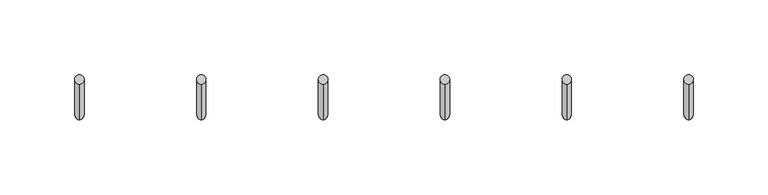
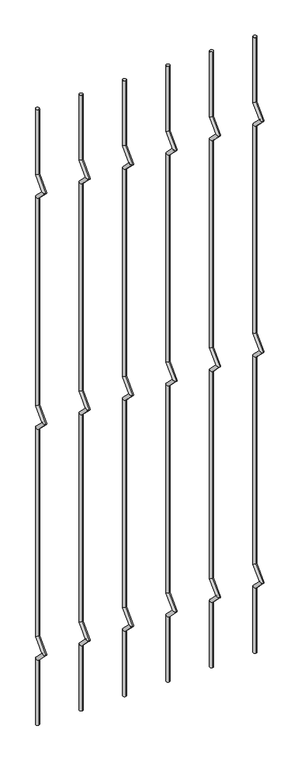
"""IFC4 building model written with IfcOpenShell, lengths in millimetres: railing geometry."""

from ifc_helpers import new_model, si_unit, frame, origin, place, context, project, spatial, circle_curve, ellipse_curve, source, transform, mapped, element, save
from ifc_brep_helpers import plane_surface, cylinder_surface, advanced_brep


def railing_f5b21eb6(model_context):
    return source(origin(), model_context, "Body", "AdvancedBrep", [
        advanced_brep(
        [(-18957.3941573, 14808.5554142, 25.4), (-18957.3941573, 14802.2054142, 25.4), (-18957.3941573, 14802.2054142, 154.0342316), (-18957.3941573, 14808.5554142, 156.6644878), (-18957.3941573, 14778.4396458, 177.8), (-18957.3941573, 14787.419902, 177.8), (-18957.3941573, 14802.2054142, 201.5657684), (-18957.3941573, 14808.5554142, 198.9355122), (-18957.3941573, 14802.2054142, 611.2342316), (-18957.3941573, 14808.5554142, 613.8644878), (-18957.3941573, 14778.4396458, 635.0), (-18957.3941573, 14787.419902, 635.0), (-18957.3941573, 14802.2054142, 658.7657684), (-18957.3941573, 14808.5554142, 656.1355122), (-18957.3941573, 14802.2054142, 1068.4342316), (-18957.3941573, 14808.5554142, 1071.0644878), (-18957.3941573, 14778.4396458, 1092.2), (-18957.3941573, 14787.419902, 1092.2), (-18957.3941573, 14802.2054142, 1115.9657684), (-18957.3941573, 14808.5554142, 1113.3355122), (-18957.3941573, 14808.5554142, 1244.6), (-18957.3941573, 14802.2054142, 1244.6)],
        [
            (0, 1, circle_curve(frame((-18957.3941573, 14805.3804142, 25.4), z_axis=(0.0, 0.0, -1.0), x_axis=(0.0, -1.0, 0.0)), 3.175)),
            (1, 0, circle_curve(frame((-18957.3941573, 14805.3804142, 25.4), z_axis=(0.0, 0.0, -1.0), x_axis=(0.0, -1.0, 0.0)), 3.175)),
            (1, 2),
            (2, 3, ellipse_curve(frame((-18957.3941573, 14805.3804142, 155.3493597), z_axis=(0.0, 0.3826834323650955, -0.9238795325112844), x_axis=(0.0, -0.9238795325112845, -0.38268343236509544)), 3.4365952, 3.175)),
            (3, 0),
            (3, 2, ellipse_curve(frame((-18957.3941573, 14805.3804142, 155.3493597), z_axis=(0.0, 0.3826834323650955, -0.9238795325112844), x_axis=(0.0, -0.9238795325112845, -0.38268343236509544)), 3.4365952, 3.175)),
            (2, 4),
            (4, 5, ellipse_curve(frame((-18957.3941573, 14782.9297739, 177.8), z_axis=(0.0, 0.0, -1.0), x_axis=(0.0, 1.0, 0.0)), 4.4901281, 3.175)),
            (5, 3),
            (5, 4, ellipse_curve(frame((-18957.3941573, 14782.9297739, 177.8), z_axis=(0.0, 0.0, -1.0), x_axis=(0.0, 1.0, 0.0)), 4.4901281, 3.175)),
            (4, 6),
            (6, 7, ellipse_curve(frame((-18957.3941573, 14805.3804142, 200.2506403), z_axis=(0.0, -0.3826834323650839, -0.9238795325112892), x_axis=(0.0, -0.9238795325112893, 0.38268343236508373)), 3.4365952, 3.175)),
            (7, 5),
            (7, 6, ellipse_curve(frame((-18957.3941573, 14805.3804142, 200.2506403), z_axis=(0.0, -0.3826834323650839, -0.9238795325112892), x_axis=(0.0, -0.9238795325112893, 0.38268343236508373)), 3.4365952, 3.175)),
            (6, 8),
            (8, 9, ellipse_curve(frame((-18957.3941573, 14805.3804142, 612.5493597), z_axis=(0.0, 0.3826834323651024, -0.9238795325112816), x_axis=(0.0, -0.9238795325112816, -0.382683432365102)), 3.4365952, 3.175)),
            (9, 7),
            (9, 8, ellipse_curve(frame((-18957.3941573, 14805.3804142, 612.5493597), z_axis=(0.0, 0.3826834323651024, -0.9238795325112816), x_axis=(0.0, -0.9238795325112816, -0.382683432365102)), 3.4365952, 3.175)),
            (8, 10),
            (10, 11, ellipse_curve(frame((-18957.3941573, 14782.9297739, 635.0), z_axis=(0.0, 0.0, -1.0), x_axis=(0.0, 1.0, 0.0)), 4.4901281, 3.175)),
            (11, 9),
            (11, 10, ellipse_curve(frame((-18957.3941573, 14782.9297739, 635.0), z_axis=(0.0, 0.0, -1.0), x_axis=(0.0, 1.0, 0.0)), 4.4901281, 3.175)),
            (10, 12),
            (12, 13, ellipse_curve(frame((-18957.3941573, 14805.3804142, 657.4506403), z_axis=(0.0, -0.3826834323650771, -0.923879532511292), x_axis=(0.0, -0.9238795325112918, 0.3826834323650773)), 3.4365952, 3.175)),
            (13, 11),
            (13, 12, ellipse_curve(frame((-18957.3941573, 14805.3804142, 657.4506403), z_axis=(0.0, -0.3826834323650771, -0.923879532511292), x_axis=(0.0, -0.9238795325112918, 0.3826834323650773)), 3.4365952, 3.175)),
            (12, 14),
            (14, 15, ellipse_curve(frame((-18957.3941573, 14805.3804142, 1069.7493597), z_axis=(0.0, 0.3826834323650978, -0.9238795325112834), x_axis=(0.0, -0.9238795325112834, -0.382683432365098)), 3.4365952, 3.175)),
            (15, 13),
            (15, 14, ellipse_curve(frame((-18957.3941573, 14805.3804142, 1069.7493597), z_axis=(0.0, 0.3826834323650978, -0.9238795325112834), x_axis=(0.0, -0.9238795325112834, -0.382683432365098)), 3.4365952, 3.175)),
            (14, 16),
            (16, 17, ellipse_curve(frame((-18957.3941573, 14782.9297739, 1092.2), z_axis=(0.0, 0.0, -1.0), x_axis=(0.0, 1.0, 0.0)), 4.4901281, 3.175)),
            (17, 15),
            (17, 16, ellipse_curve(frame((-18957.3941573, 14782.9297739, 1092.2), z_axis=(0.0, 0.0, -1.0), x_axis=(0.0, 1.0, 0.0)), 4.4901281, 3.175)),
            (16, 18),
            (18, 19, ellipse_curve(frame((-18957.3941573, 14805.3804142, 1114.6506403), z_axis=(0.0, -0.38268343236508223, -0.9238795325112898), x_axis=(0.0, -0.92387953251129, 0.38268343236508207)), 3.4365952, 3.175)),
            (19, 17),
            (19, 18, ellipse_curve(frame((-18957.3941573, 14805.3804142, 1114.6506403), z_axis=(0.0, -0.38268343236508223, -0.9238795325112898), x_axis=(0.0, -0.92387953251129, 0.38268343236508207)), 3.4365952, 3.175)),
            (20, 21, circle_curve(frame((-18957.3941573, 14805.3804142, 1244.6), z_axis=(0.0, 0.0, 1.0), x_axis=(0.0, -1.0, 0.0)), 3.175)),
            (21, 20, circle_curve(frame((-18957.3941573, 14805.3804142, 1244.6), z_axis=(0.0, 0.0, 1.0), x_axis=(0.0, -1.0, 0.0)), 3.175)),
            (18, 21),
            (20, 19),
        ],
        [
            plane_surface(frame((-18957.3941573, 14805.3804142, 25.4), z_axis=(0.0, 0.0, -1.0), x_axis=(-1.0, 0.0, 0.0))),
            cylinder_surface(frame((-18957.3941573, 14805.3804142, 25.4), z_axis=(0.0, 0.0, -1.0), x_axis=(0.0, -1.0, 0.0)), 3.175),
            cylinder_surface(frame((-18957.3941573, 14805.3804142, 155.3493597), z_axis=(0.0, 0.7071067811865563, -0.7071067811865388), x_axis=(0.0, -0.7071067811865388, -0.7071067811865563)), 3.175),
            cylinder_surface(frame((-18957.3941573, 14782.9297739, 177.8), z_axis=(0.0, -0.7071067811865385, -0.7071067811865568), x_axis=(0.0, -0.7071067811865568, 0.7071067811865385)), 3.175),
            cylinder_surface(frame((-18957.3941573, 14805.3804142, 200.2506403), z_axis=(0.0, 0.0, -1.0), x_axis=(0.0, -1.0, 0.0)), 3.175),
            cylinder_surface(frame((-18957.3941573, 14805.3804142, 612.5493597), z_axis=(0.0, 0.7071067811865669, -0.707106781186528), x_axis=(0.0, -0.707106781186528, -0.7071067811865669)), 3.175),
            cylinder_surface(frame((-18957.3941573, 14782.9297739, 635.0), z_axis=(0.0, -0.7071067811865279, -0.7071067811865672), x_axis=(0.0, -0.7071067811865672, 0.7071067811865279)), 3.175),
            cylinder_surface(frame((-18957.3941573, 14805.3804142, 657.4506403), z_axis=(0.0, 0.0, -1.0), x_axis=(0.0, -1.0, 0.0)), 3.175),
            cylinder_surface(frame((-18957.3941573, 14805.3804142, 1069.7493597), z_axis=(0.0, 0.7071067811865601, -0.707106781186535), x_axis=(0.0, -0.707106781186535, -0.7071067811865601)), 3.175),
            cylinder_surface(frame((-18957.3941573, 14782.9297739, 1092.2), z_axis=(0.0, -0.7071067811865356, -0.7071067811865596), x_axis=(0.0, -0.7071067811865596, 0.7071067811865356)), 3.175),
            plane_surface(frame((-18957.3941573, 14805.3804142, 1244.6), z_axis=(0.0, 0.0, 1.0), x_axis=(-1.0, 0.0, 0.0))),
            cylinder_surface(frame((-18957.3941573, 14805.3804142, 1114.6506403), z_axis=(0.0, 0.0, -1.0), x_axis=(0.0, -1.0, 0.0)), 3.175),
        ],
        [
            (0, [[1, 2]]),
            (1, [[3, 4, 5, -2]]),
            (1, [[-5, 6, -3, -1]]),
            (2, [[7, 8, 9, -4]]),
            (2, [[-9, 10, -7, -6]]),
            (3, [[11, 12, 13, -8]]),
            (3, [[-13, 14, -11, -10]]),
            (4, [[15, 16, 17, -12]]),
            (4, [[-17, 18, -15, -14]]),
            (5, [[19, 20, 21, -16]]),
            (5, [[-21, 22, -19, -18]]),
            (6, [[23, 24, 25, -20]]),
            (6, [[-25, 26, -23, -22]]),
            (7, [[27, 28, 29, -24]]),
            (7, [[-29, 30, -27, -26]]),
            (8, [[31, 32, 33, -28]]),
            (8, [[-33, 34, -31, -30]]),
            (9, [[35, 36, 37, -32]]),
            (9, [[-37, 38, -35, -34]]),
            (10, [[39, 40]]),
            (11, [[41, -39, 42, -36]]),
            (11, [[-42, -40, -41, -38]]),
        ],
    ),
        advanced_brep(
        [(-18875.8210804, 14808.5554142, 25.4), (-18875.8210804, 14802.2054142, 25.4), (-18875.8210804, 14802.2054142, 154.0342316), (-18875.8210804, 14808.5554142, 156.6644878), (-18875.8210804, 14778.4396458, 177.8), (-18875.8210804, 14787.419902, 177.8), (-18875.8210804, 14802.2054142, 201.5657684), (-18875.8210804, 14808.5554142, 198.9355122), (-18875.8210804, 14802.2054142, 611.2342316), (-18875.8210804, 14808.5554142, 613.8644878), (-18875.8210804, 14778.4396458, 635.0), (-18875.8210804, 14787.419902, 635.0), (-18875.8210804, 14802.2054142, 658.7657684), (-18875.8210804, 14808.5554142, 656.1355122), (-18875.8210804, 14802.2054142, 1068.4342316), (-18875.8210804, 14808.5554142, 1071.0644878), (-18875.8210804, 14778.4396458, 1092.2), (-18875.8210804, 14787.419902, 1092.2), (-18875.8210804, 14802.2054142, 1115.9657684), (-18875.8210804, 14808.5554142, 1113.3355122), (-18875.8210804, 14808.5554142, 1244.6), (-18875.8210804, 14802.2054142, 1244.6)],
        [
            (0, 1, circle_curve(frame((-18875.8210804, 14805.3804142, 25.4), z_axis=(0.0, 0.0, -1.0), x_axis=(0.0, -1.0, 0.0)), 3.175)),
            (1, 0, circle_curve(frame((-18875.8210804, 14805.3804142, 25.4), z_axis=(0.0, 0.0, -1.0), x_axis=(0.0, -1.0, 0.0)), 3.175)),
            (1, 2),
            (2, 3, ellipse_curve(frame((-18875.8210804, 14805.3804142, 155.3493597), z_axis=(0.0, 0.3826834323650955, -0.9238795325112844), x_axis=(0.0, -0.9238795325112845, -0.38268343236509544)), 3.4365952, 3.175)),
            (3, 0),
            (3, 2, ellipse_curve(frame((-18875.8210804, 14805.3804142, 155.3493597), z_axis=(0.0, 0.3826834323650955, -0.9238795325112844), x_axis=(0.0, -0.9238795325112845, -0.38268343236509544)), 3.4365952, 3.175)),
            (2, 4),
            (4, 5, ellipse_curve(frame((-18875.8210804, 14782.9297739, 177.8), z_axis=(0.0, 0.0, -1.0), x_axis=(0.0, 1.0, 0.0)), 4.4901281, 3.175)),
            (5, 3),
            (5, 4, ellipse_curve(frame((-18875.8210804, 14782.9297739, 177.8), z_axis=(0.0, 0.0, -1.0), x_axis=(0.0, 1.0, 0.0)), 4.4901281, 3.175)),
            (4, 6),
            (6, 7, ellipse_curve(frame((-18875.8210804, 14805.3804142, 200.2506403), z_axis=(0.0, -0.3826834323650839, -0.9238795325112892), x_axis=(0.0, -0.9238795325112893, 0.38268343236508373)), 3.4365952, 3.175)),
            (7, 5),
            (7, 6, ellipse_curve(frame((-18875.8210804, 14805.3804142, 200.2506403), z_axis=(0.0, -0.3826834323650839, -0.9238795325112892), x_axis=(0.0, -0.9238795325112893, 0.38268343236508373)), 3.4365952, 3.175)),
            (6, 8),
            (8, 9, ellipse_curve(frame((-18875.8210804, 14805.3804142, 612.5493597), z_axis=(0.0, 0.3826834323651024, -0.9238795325112816), x_axis=(0.0, -0.9238795325112816, -0.382683432365102)), 3.4365952, 3.175)),
            (9, 7),
            (9, 8, ellipse_curve(frame((-18875.8210804, 14805.3804142, 612.5493597), z_axis=(0.0, 0.3826834323651024, -0.9238795325112816), x_axis=(0.0, -0.9238795325112816, -0.382683432365102)), 3.4365952, 3.175)),
            (8, 10),
            (10, 11, ellipse_curve(frame((-18875.8210804, 14782.9297739, 635.0), z_axis=(0.0, 0.0, -1.0), x_axis=(0.0, 1.0, 0.0)), 4.4901281, 3.175)),
            (11, 9),
            (11, 10, ellipse_curve(frame((-18875.8210804, 14782.9297739, 635.0), z_axis=(0.0, 0.0, -1.0), x_axis=(0.0, 1.0, 0.0)), 4.4901281, 3.175)),
            (10, 12),
            (12, 13, ellipse_curve(frame((-18875.8210804, 14805.3804142, 657.4506403), z_axis=(0.0, -0.3826834323650771, -0.923879532511292), x_axis=(0.0, -0.9238795325112918, 0.3826834323650773)), 3.4365952, 3.175)),
            (13, 11),
            (13, 12, ellipse_curve(frame((-18875.8210804, 14805.3804142, 657.4506403), z_axis=(0.0, -0.3826834323650771, -0.923879532511292), x_axis=(0.0, -0.9238795325112918, 0.3826834323650773)), 3.4365952, 3.175)),
            (12, 14),
            (14, 15, ellipse_curve(frame((-18875.8210804, 14805.3804142, 1069.7493597), z_axis=(0.0, 0.3826834323650978, -0.9238795325112834), x_axis=(0.0, -0.9238795325112834, -0.382683432365098)), 3.4365952, 3.175)),
            (15, 13),
            (15, 14, ellipse_curve(frame((-18875.8210804, 14805.3804142, 1069.7493597), z_axis=(0.0, 0.3826834323650978, -0.9238795325112834), x_axis=(0.0, -0.9238795325112834, -0.382683432365098)), 3.4365952, 3.175)),
            (14, 16),
            (16, 17, ellipse_curve(frame((-18875.8210804, 14782.9297739, 1092.2), z_axis=(0.0, 0.0, -1.0), x_axis=(0.0, 1.0, 0.0)), 4.4901281, 3.175)),
            (17, 15),
            (17, 16, ellipse_curve(frame((-18875.8210804, 14782.9297739, 1092.2), z_axis=(0.0, 0.0, -1.0), x_axis=(0.0, 1.0, 0.0)), 4.4901281, 3.175)),
            (16, 18),
            (18, 19, ellipse_curve(frame((-18875.8210804, 14805.3804142, 1114.6506403), z_axis=(0.0, -0.38268343236508223, -0.9238795325112898), x_axis=(0.0, -0.92387953251129, 0.38268343236508207)), 3.4365952, 3.175)),
            (19, 17),
            (19, 18, ellipse_curve(frame((-18875.8210804, 14805.3804142, 1114.6506403), z_axis=(0.0, -0.38268343236508223, -0.9238795325112898), x_axis=(0.0, -0.92387953251129, 0.38268343236508207)), 3.4365952, 3.175)),
            (20, 21, circle_curve(frame((-18875.8210804, 14805.3804142, 1244.6), z_axis=(0.0, 0.0, 1.0), x_axis=(0.0, -1.0, 0.0)), 3.175)),
            (21, 20, circle_curve(frame((-18875.8210804, 14805.3804142, 1244.6), z_axis=(0.0, 0.0, 1.0), x_axis=(0.0, -1.0, 0.0)), 3.175)),
            (18, 21),
            (20, 19),
        ],
        [
            plane_surface(frame((-18875.8210804, 14805.3804142, 25.4), z_axis=(0.0, 0.0, -1.0), x_axis=(-1.0, 0.0, 0.0))),
            cylinder_surface(frame((-18875.8210804, 14805.3804142, 25.4), z_axis=(0.0, 0.0, -1.0), x_axis=(0.0, -1.0, 0.0)), 3.175),
            cylinder_surface(frame((-18875.8210804, 14805.3804142, 155.3493597), z_axis=(0.0, 0.7071067811865563, -0.7071067811865388), x_axis=(0.0, -0.7071067811865388, -0.7071067811865563)), 3.175),
            cylinder_surface(frame((-18875.8210804, 14782.9297739, 177.8), z_axis=(0.0, -0.7071067811865385, -0.7071067811865568), x_axis=(0.0, -0.7071067811865568, 0.7071067811865385)), 3.175),
            cylinder_surface(frame((-18875.8210804, 14805.3804142, 200.2506403), z_axis=(0.0, 0.0, -1.0), x_axis=(0.0, -1.0, 0.0)), 3.175),
            cylinder_surface(frame((-18875.8210804, 14805.3804142, 612.5493597), z_axis=(0.0, 0.7071067811865669, -0.707106781186528), x_axis=(0.0, -0.707106781186528, -0.7071067811865669)), 3.175),
            cylinder_surface(frame((-18875.8210804, 14782.9297739, 635.0), z_axis=(0.0, -0.7071067811865279, -0.7071067811865672), x_axis=(0.0, -0.7071067811865672, 0.7071067811865279)), 3.175),
            cylinder_surface(frame((-18875.8210804, 14805.3804142, 657.4506403), z_axis=(0.0, 0.0, -1.0), x_axis=(0.0, -1.0, 0.0)), 3.175),
            cylinder_surface(frame((-18875.8210804, 14805.3804142, 1069.7493597), z_axis=(0.0, 0.7071067811865601, -0.707106781186535), x_axis=(0.0, -0.707106781186535, -0.7071067811865601)), 3.175),
            cylinder_surface(frame((-18875.8210804, 14782.9297739, 1092.2), z_axis=(0.0, -0.7071067811865356, -0.7071067811865596), x_axis=(0.0, -0.7071067811865596, 0.7071067811865356)), 3.175),
            plane_surface(frame((-18875.8210804, 14805.3804142, 1244.6), z_axis=(0.0, 0.0, 1.0), x_axis=(-1.0, 0.0, 0.0))),
            cylinder_surface(frame((-18875.8210804, 14805.3804142, 1114.6506403), z_axis=(0.0, 0.0, -1.0), x_axis=(0.0, -1.0, 0.0)), 3.175),
        ],
        [
            (0, [[1, 2]]),
            (1, [[3, 4, 5, -2]]),
            (1, [[-5, 6, -3, -1]]),
            (2, [[7, 8, 9, -4]]),
            (2, [[-9, 10, -7, -6]]),
            (3, [[11, 12, 13, -8]]),
            (3, [[-13, 14, -11, -10]]),
            (4, [[15, 16, 17, -12]]),
            (4, [[-17, 18, -15, -14]]),
            (5, [[19, 20, 21, -16]]),
            (5, [[-21, 22, -19, -18]]),
            (6, [[23, 24, 25, -20]]),
            (6, [[-25, 26, -23, -22]]),
            (7, [[27, 28, 29, -24]]),
            (7, [[-29, 30, -27, -26]]),
            (8, [[31, 32, 33, -28]]),
            (8, [[-33, 34, -31, -30]]),
            (9, [[35, 36, 37, -32]]),
            (9, [[-37, 38, -35, -34]]),
            (10, [[39, 40]]),
            (11, [[41, -39, 42, -36]]),
            (11, [[-42, -40, -41, -38]]),
        ],
    ),
        advanced_brep(
        [(-18794.2480035, 14808.5554142, 25.4), (-18794.2480035, 14802.2054142, 25.4), (-18794.2480035, 14802.2054142, 154.0342316), (-18794.2480035, 14808.5554142, 156.6644878), (-18794.2480035, 14778.4396458, 177.8), (-18794.2480035, 14787.419902, 177.8), (-18794.2480035, 14802.2054142, 201.5657684), (-18794.2480035, 14808.5554142, 198.9355122), (-18794.2480035, 14802.2054142, 611.2342316), (-18794.2480035, 14808.5554142, 613.8644878), (-18794.2480035, 14778.4396458, 635.0), (-18794.2480035, 14787.419902, 635.0), (-18794.2480035, 14802.2054142, 658.7657684), (-18794.2480035, 14808.5554142, 656.1355122), (-18794.2480035, 14802.2054142, 1068.4342316), (-18794.2480035, 14808.5554142, 1071.0644878), (-18794.2480035, 14778.4396458, 1092.2), (-18794.2480035, 14787.419902, 1092.2), (-18794.2480035, 14802.2054142, 1115.9657684), (-18794.2480035, 14808.5554142, 1113.3355122), (-18794.2480035, 14808.5554142, 1244.6), (-18794.2480035, 14802.2054142, 1244.6)],
        [
            (0, 1, circle_curve(frame((-18794.2480035, 14805.3804142, 25.4), z_axis=(0.0, 0.0, -1.0), x_axis=(0.0, -1.0, 0.0)), 3.175)),
            (1, 0, circle_curve(frame((-18794.2480035, 14805.3804142, 25.4), z_axis=(0.0, 0.0, -1.0), x_axis=(0.0, -1.0, 0.0)), 3.175)),
            (1, 2),
            (2, 3, ellipse_curve(frame((-18794.2480035, 14805.3804142, 155.3493597), z_axis=(0.0, 0.3826834323650955, -0.9238795325112844), x_axis=(0.0, -0.9238795325112845, -0.38268343236509544)), 3.4365952, 3.175)),
            (3, 0),
            (3, 2, ellipse_curve(frame((-18794.2480035, 14805.3804142, 155.3493597), z_axis=(0.0, 0.3826834323650955, -0.9238795325112844), x_axis=(0.0, -0.9238795325112845, -0.38268343236509544)), 3.4365952, 3.175)),
            (2, 4),
            (4, 5, ellipse_curve(frame((-18794.2480035, 14782.9297739, 177.8), z_axis=(0.0, 0.0, -1.0), x_axis=(0.0, 1.0, 0.0)), 4.4901281, 3.175)),
            (5, 3),
            (5, 4, ellipse_curve(frame((-18794.2480035, 14782.9297739, 177.8), z_axis=(0.0, 0.0, -1.0), x_axis=(0.0, 1.0, 0.0)), 4.4901281, 3.175)),
            (4, 6),
            (6, 7, ellipse_curve(frame((-18794.2480035, 14805.3804142, 200.2506403), z_axis=(0.0, -0.3826834323650839, -0.9238795325112892), x_axis=(0.0, -0.9238795325112893, 0.38268343236508373)), 3.4365952, 3.175)),
            (7, 5),
            (7, 6, ellipse_curve(frame((-18794.2480035, 14805.3804142, 200.2506403), z_axis=(0.0, -0.3826834323650839, -0.9238795325112892), x_axis=(0.0, -0.9238795325112893, 0.38268343236508373)), 3.4365952, 3.175)),
            (6, 8),
            (8, 9, ellipse_curve(frame((-18794.2480035, 14805.3804142, 612.5493597), z_axis=(0.0, 0.3826834323651024, -0.9238795325112816), x_axis=(0.0, -0.9238795325112816, -0.382683432365102)), 3.4365952, 3.175)),
            (9, 7),
            (9, 8, ellipse_curve(frame((-18794.2480035, 14805.3804142, 612.5493597), z_axis=(0.0, 0.3826834323651024, -0.9238795325112816), x_axis=(0.0, -0.9238795325112816, -0.382683432365102)), 3.4365952, 3.175)),
            (8, 10),
            (10, 11, ellipse_curve(frame((-18794.2480035, 14782.9297739, 635.0), z_axis=(0.0, 0.0, -1.0), x_axis=(0.0, 1.0, 0.0)), 4.4901281, 3.175)),
            (11, 9),
            (11, 10, ellipse_curve(frame((-18794.2480035, 14782.9297739, 635.0), z_axis=(0.0, 0.0, -1.0), x_axis=(0.0, 1.0, 0.0)), 4.4901281, 3.175)),
            (10, 12),
            (12, 13, ellipse_curve(frame((-18794.2480035, 14805.3804142, 657.4506403), z_axis=(0.0, -0.3826834323650771, -0.923879532511292), x_axis=(0.0, -0.9238795325112918, 0.3826834323650773)), 3.4365952, 3.175)),
            (13, 11),
            (13, 12, ellipse_curve(frame((-18794.2480035, 14805.3804142, 657.4506403), z_axis=(0.0, -0.3826834323650771, -0.923879532511292), x_axis=(0.0, -0.9238795325112918, 0.3826834323650773)), 3.4365952, 3.175)),
            (12, 14),
            (14, 15, ellipse_curve(frame((-18794.2480035, 14805.3804142, 1069.7493597), z_axis=(0.0, 0.3826834323650978, -0.9238795325112834), x_axis=(0.0, -0.9238795325112834, -0.382683432365098)), 3.4365952, 3.175)),
            (15, 13),
            (15, 14, ellipse_curve(frame((-18794.2480035, 14805.3804142, 1069.7493597), z_axis=(0.0, 0.3826834323650978, -0.9238795325112834), x_axis=(0.0, -0.9238795325112834, -0.382683432365098)), 3.4365952, 3.175)),
            (14, 16),
            (16, 17, ellipse_curve(frame((-18794.2480035, 14782.9297739, 1092.2), z_axis=(0.0, 0.0, -1.0), x_axis=(0.0, 1.0, 0.0)), 4.4901281, 3.175)),
            (17, 15),
            (17, 16, ellipse_curve(frame((-18794.2480035, 14782.9297739, 1092.2), z_axis=(0.0, 0.0, -1.0), x_axis=(0.0, 1.0, 0.0)), 4.4901281, 3.175)),
            (16, 18),
            (18, 19, ellipse_curve(frame((-18794.2480035, 14805.3804142, 1114.6506403), z_axis=(0.0, -0.38268343236508223, -0.9238795325112898), x_axis=(0.0, -0.92387953251129, 0.38268343236508207)), 3.4365952, 3.175)),
            (19, 17),
            (19, 18, ellipse_curve(frame((-18794.2480035, 14805.3804142, 1114.6506403), z_axis=(0.0, -0.38268343236508223, -0.9238795325112898), x_axis=(0.0, -0.92387953251129, 0.38268343236508207)), 3.4365952, 3.175)),
            (20, 21, circle_curve(frame((-18794.2480035, 14805.3804142, 1244.6), z_axis=(0.0, 0.0, 1.0), x_axis=(0.0, -1.0, 0.0)), 3.175)),
            (21, 20, circle_curve(frame((-18794.2480035, 14805.3804142, 1244.6), z_axis=(0.0, 0.0, 1.0), x_axis=(0.0, -1.0, 0.0)), 3.175)),
            (18, 21),
            (20, 19),
        ],
        [
            plane_surface(frame((-18794.2480035, 14805.3804142, 25.4), z_axis=(0.0, 0.0, -1.0), x_axis=(-1.0, 0.0, 0.0))),
            cylinder_surface(frame((-18794.2480035, 14805.3804142, 25.4), z_axis=(0.0, 0.0, -1.0), x_axis=(0.0, -1.0, 0.0)), 3.175),
            cylinder_surface(frame((-18794.2480035, 14805.3804142, 155.3493597), z_axis=(0.0, 0.7071067811865563, -0.7071067811865388), x_axis=(0.0, -0.7071067811865388, -0.7071067811865563)), 3.175),
            cylinder_surface(frame((-18794.2480035, 14782.9297739, 177.8), z_axis=(0.0, -0.7071067811865385, -0.7071067811865568), x_axis=(0.0, -0.7071067811865568, 0.7071067811865385)), 3.175),
            cylinder_surface(frame((-18794.2480035, 14805.3804142, 200.2506403), z_axis=(0.0, 0.0, -1.0), x_axis=(0.0, -1.0, 0.0)), 3.175),
            cylinder_surface(frame((-18794.2480035, 14805.3804142, 612.5493597), z_axis=(0.0, 0.7071067811865669, -0.707106781186528), x_axis=(0.0, -0.707106781186528, -0.7071067811865669)), 3.175),
            cylinder_surface(frame((-18794.2480035, 14782.9297739, 635.0), z_axis=(0.0, -0.7071067811865279, -0.7071067811865672), x_axis=(0.0, -0.7071067811865672, 0.7071067811865279)), 3.175),
            cylinder_surface(frame((-18794.2480035, 14805.3804142, 657.4506403), z_axis=(0.0, 0.0, -1.0), x_axis=(0.0, -1.0, 0.0)), 3.175),
            cylinder_surface(frame((-18794.2480035, 14805.3804142, 1069.7493597), z_axis=(0.0, 0.7071067811865601, -0.707106781186535), x_axis=(0.0, -0.707106781186535, -0.7071067811865601)), 3.175),
            cylinder_surface(frame((-18794.2480035, 14782.9297739, 1092.2), z_axis=(0.0, -0.7071067811865356, -0.7071067811865596), x_axis=(0.0, -0.7071067811865596, 0.7071067811865356)), 3.175),
            plane_surface(frame((-18794.2480035, 14805.3804142, 1244.6), z_axis=(0.0, 0.0, 1.0), x_axis=(-1.0, 0.0, 0.0))),
            cylinder_surface(frame((-18794.2480035, 14805.3804142, 1114.6506403), z_axis=(0.0, 0.0, -1.0), x_axis=(0.0, -1.0, 0.0)), 3.175),
        ],
        [
            (0, [[1, 2]]),
            (1, [[3, 4, 5, -2]]),
            (1, [[-5, 6, -3, -1]]),
            (2, [[7, 8, 9, -4]]),
            (2, [[-9, 10, -7, -6]]),
            (3, [[11, 12, 13, -8]]),
            (3, [[-13, 14, -11, -10]]),
            (4, [[15, 16, 17, -12]]),
            (4, [[-17, 18, -15, -14]]),
            (5, [[19, 20, 21, -16]]),
            (5, [[-21, 22, -19, -18]]),
            (6, [[23, 24, 25, -20]]),
            (6, [[-25, 26, -23, -22]]),
            (7, [[27, 28, 29, -24]]),
            (7, [[-29, 30, -27, -26]]),
            (8, [[31, 32, 33, -28]]),
            (8, [[-33, 34, -31, -30]]),
            (9, [[35, 36, 37, -32]]),
            (9, [[-37, 38, -35, -34]]),
            (10, [[39, 40]]),
            (11, [[41, -39, 42, -36]]),
            (11, [[-42, -40, -41, -38]]),
        ],
    ),
        advanced_brep(
        [(-18712.6749265, 14808.5554142, 25.4), (-18712.6749265, 14802.2054142, 25.4), (-18712.6749265, 14802.2054142, 154.0342316), (-18712.6749265, 14808.5554142, 156.6644878), (-18712.6749265, 14778.4396458, 177.8), (-18712.6749265, 14787.419902, 177.8), (-18712.6749265, 14802.2054142, 201.5657684), (-18712.6749265, 14808.5554142, 198.9355122), (-18712.6749265, 14802.2054142, 611.2342316), (-18712.6749265, 14808.5554142, 613.8644878), (-18712.6749265, 14778.4396458, 635.0), (-18712.6749265, 14787.419902, 635.0), (-18712.6749265, 14802.2054142, 658.7657684), (-18712.6749265, 14808.5554142, 656.1355122), (-18712.6749265, 14802.2054142, 1068.4342316), (-18712.6749265, 14808.5554142, 1071.0644878), (-18712.6749265, 14778.4396458, 1092.2), (-18712.6749265, 14787.419902, 1092.2), (-18712.6749265, 14802.2054142, 1115.9657684), (-18712.6749265, 14808.5554142, 1113.3355122), (-18712.6749265, 14808.5554142, 1244.6), (-18712.6749265, 14802.2054142, 1244.6)],
        [
            (0, 1, circle_curve(frame((-18712.6749265, 14805.3804142, 25.4), z_axis=(0.0, 0.0, -1.0), x_axis=(0.0, -1.0, 0.0)), 3.175)),
            (1, 0, circle_curve(frame((-18712.6749265, 14805.3804142, 25.4), z_axis=(0.0, 0.0, -1.0), x_axis=(0.0, -1.0, 0.0)), 3.175)),
            (1, 2),
            (2, 3, ellipse_curve(frame((-18712.6749265, 14805.3804142, 155.3493597), z_axis=(0.0, 0.3826834323650955, -0.9238795325112844), x_axis=(0.0, -0.9238795325112845, -0.38268343236509544)), 3.4365952, 3.175)),
            (3, 0),
            (3, 2, ellipse_curve(frame((-18712.6749265, 14805.3804142, 155.3493597), z_axis=(0.0, 0.3826834323650955, -0.9238795325112844), x_axis=(0.0, -0.9238795325112845, -0.38268343236509544)), 3.4365952, 3.175)),
            (2, 4),
            (4, 5, ellipse_curve(frame((-18712.6749265, 14782.9297739, 177.8), z_axis=(0.0, 0.0, -1.0), x_axis=(0.0, 1.0, 0.0)), 4.4901281, 3.175)),
            (5, 3),
            (5, 4, ellipse_curve(frame((-18712.6749265, 14782.9297739, 177.8), z_axis=(0.0, 0.0, -1.0), x_axis=(0.0, 1.0, 0.0)), 4.4901281, 3.175)),
            (4, 6),
            (6, 7, ellipse_curve(frame((-18712.6749265, 14805.3804142, 200.2506403), z_axis=(0.0, -0.3826834323650839, -0.9238795325112892), x_axis=(0.0, -0.9238795325112893, 0.38268343236508373)), 3.4365952, 3.175)),
            (7, 5),
            (7, 6, ellipse_curve(frame((-18712.6749265, 14805.3804142, 200.2506403), z_axis=(0.0, -0.3826834323650839, -0.9238795325112892), x_axis=(0.0, -0.9238795325112893, 0.38268343236508373)), 3.4365952, 3.175)),
            (6, 8),
            (8, 9, ellipse_curve(frame((-18712.6749265, 14805.3804142, 612.5493597), z_axis=(0.0, 0.3826834323651024, -0.9238795325112816), x_axis=(0.0, -0.9238795325112816, -0.382683432365102)), 3.4365952, 3.175)),
            (9, 7),
            (9, 8, ellipse_curve(frame((-18712.6749265, 14805.3804142, 612.5493597), z_axis=(0.0, 0.3826834323651024, -0.9238795325112816), x_axis=(0.0, -0.9238795325112816, -0.382683432365102)), 3.4365952, 3.175)),
            (8, 10),
            (10, 11, ellipse_curve(frame((-18712.6749265, 14782.9297739, 635.0), z_axis=(0.0, 0.0, -1.0), x_axis=(0.0, 1.0, 0.0)), 4.4901281, 3.175)),
            (11, 9),
            (11, 10, ellipse_curve(frame((-18712.6749265, 14782.9297739, 635.0), z_axis=(0.0, 0.0, -1.0), x_axis=(0.0, 1.0, 0.0)), 4.4901281, 3.175)),
            (10, 12),
            (12, 13, ellipse_curve(frame((-18712.6749265, 14805.3804142, 657.4506403), z_axis=(0.0, -0.3826834323650771, -0.923879532511292), x_axis=(0.0, -0.9238795325112918, 0.3826834323650773)), 3.4365952, 3.175)),
            (13, 11),
            (13, 12, ellipse_curve(frame((-18712.6749265, 14805.3804142, 657.4506403), z_axis=(0.0, -0.3826834323650771, -0.923879532511292), x_axis=(0.0, -0.9238795325112918, 0.3826834323650773)), 3.4365952, 3.175)),
            (12, 14),
            (14, 15, ellipse_curve(frame((-18712.6749265, 14805.3804142, 1069.7493597), z_axis=(0.0, 0.3826834323650978, -0.9238795325112834), x_axis=(0.0, -0.9238795325112834, -0.382683432365098)), 3.4365952, 3.175)),
            (15, 13),
            (15, 14, ellipse_curve(frame((-18712.6749265, 14805.3804142, 1069.7493597), z_axis=(0.0, 0.3826834323650978, -0.9238795325112834), x_axis=(0.0, -0.9238795325112834, -0.382683432365098)), 3.4365952, 3.175)),
            (14, 16),
            (16, 17, ellipse_curve(frame((-18712.6749265, 14782.9297739, 1092.2), z_axis=(0.0, 0.0, -1.0), x_axis=(0.0, 1.0, 0.0)), 4.4901281, 3.175)),
            (17, 15),
            (17, 16, ellipse_curve(frame((-18712.6749265, 14782.9297739, 1092.2), z_axis=(0.0, 0.0, -1.0), x_axis=(0.0, 1.0, 0.0)), 4.4901281, 3.175)),
            (16, 18),
            (18, 19, ellipse_curve(frame((-18712.6749265, 14805.3804142, 1114.6506403), z_axis=(0.0, -0.38268343236508223, -0.9238795325112898), x_axis=(0.0, -0.92387953251129, 0.38268343236508207)), 3.4365952, 3.175)),
            (19, 17),
            (19, 18, ellipse_curve(frame((-18712.6749265, 14805.3804142, 1114.6506403), z_axis=(0.0, -0.38268343236508223, -0.9238795325112898), x_axis=(0.0, -0.92387953251129, 0.38268343236508207)), 3.4365952, 3.175)),
            (20, 21, circle_curve(frame((-18712.6749265, 14805.3804142, 1244.6), z_axis=(0.0, 0.0, 1.0), x_axis=(0.0, -1.0, 0.0)), 3.175)),
            (21, 20, circle_curve(frame((-18712.6749265, 14805.3804142, 1244.6), z_axis=(0.0, 0.0, 1.0), x_axis=(0.0, -1.0, 0.0)), 3.175)),
            (18, 21),
            (20, 19),
        ],
        [
            plane_surface(frame((-18712.6749265, 14805.3804142, 25.4), z_axis=(0.0, 0.0, -1.0), x_axis=(-1.0, 0.0, 0.0))),
            cylinder_surface(frame((-18712.6749265, 14805.3804142, 25.4), z_axis=(0.0, 0.0, -1.0), x_axis=(0.0, -1.0, 0.0)), 3.175),
            cylinder_surface(frame((-18712.6749265, 14805.3804142, 155.3493597), z_axis=(0.0, 0.7071067811865563, -0.7071067811865388), x_axis=(0.0, -0.7071067811865388, -0.7071067811865563)), 3.175),
            cylinder_surface(frame((-18712.6749265, 14782.9297739, 177.8), z_axis=(0.0, -0.7071067811865385, -0.7071067811865568), x_axis=(0.0, -0.7071067811865568, 0.7071067811865385)), 3.175),
            cylinder_surface(frame((-18712.6749265, 14805.3804142, 200.2506403), z_axis=(0.0, 0.0, -1.0), x_axis=(0.0, -1.0, 0.0)), 3.175),
            cylinder_surface(frame((-18712.6749265, 14805.3804142, 612.5493597), z_axis=(0.0, 0.7071067811865669, -0.707106781186528), x_axis=(0.0, -0.707106781186528, -0.7071067811865669)), 3.175),
            cylinder_surface(frame((-18712.6749265, 14782.9297739, 635.0), z_axis=(0.0, -0.7071067811865279, -0.7071067811865672), x_axis=(0.0, -0.7071067811865672, 0.7071067811865279)), 3.175),
            cylinder_surface(frame((-18712.6749265, 14805.3804142, 657.4506403), z_axis=(0.0, 0.0, -1.0), x_axis=(0.0, -1.0, 0.0)), 3.175),
            cylinder_surface(frame((-18712.6749265, 14805.3804142, 1069.7493597), z_axis=(0.0, 0.7071067811865601, -0.707106781186535), x_axis=(0.0, -0.707106781186535, -0.7071067811865601)), 3.175),
            cylinder_surface(frame((-18712.6749265, 14782.9297739, 1092.2), z_axis=(0.0, -0.7071067811865356, -0.7071067811865596), x_axis=(0.0, -0.7071067811865596, 0.7071067811865356)), 3.175),
            plane_surface(frame((-18712.6749265, 14805.3804142, 1244.6), z_axis=(0.0, 0.0, 1.0), x_axis=(-1.0, 0.0, 0.0))),
            cylinder_surface(frame((-18712.6749265, 14805.3804142, 1114.6506403), z_axis=(0.0, 0.0, -1.0), x_axis=(0.0, -1.0, 0.0)), 3.175),
        ],
        [
            (0, [[1, 2]]),
            (1, [[3, 4, 5, -2]]),
            (1, [[-5, 6, -3, -1]]),
            (2, [[7, 8, 9, -4]]),
            (2, [[-9, 10, -7, -6]]),
            (3, [[11, 12, 13, -8]]),
            (3, [[-13, 14, -11, -10]]),
            (4, [[15, 16, 17, -12]]),
            (4, [[-17, 18, -15, -14]]),
            (5, [[19, 20, 21, -16]]),
            (5, [[-21, 22, -19, -18]]),
            (6, [[23, 24, 25, -20]]),
            (6, [[-25, 26, -23, -22]]),
            (7, [[27, 28, 29, -24]]),
            (7, [[-29, 30, -27, -26]]),
            (8, [[31, 32, 33, -28]]),
            (8, [[-33, 34, -31, -30]]),
            (9, [[35, 36, 37, -32]]),
            (9, [[-37, 38, -35, -34]]),
            (10, [[39, 40]]),
            (11, [[41, -39, 42, -36]]),
            (11, [[-42, -40, -41, -38]]),
        ],
    ),
        advanced_brep(
        [(-18631.1018496, 14808.5554142, 25.4), (-18631.1018496, 14802.2054142, 25.4), (-18631.1018496, 14802.2054142, 154.0342316), (-18631.1018496, 14808.5554142, 156.6644878), (-18631.1018496, 14778.4396458, 177.8), (-18631.1018496, 14787.419902, 177.8), (-18631.1018496, 14802.2054142, 201.5657684), (-18631.1018496, 14808.5554142, 198.9355122), (-18631.1018496, 14802.2054142, 611.2342316), (-18631.1018496, 14808.5554142, 613.8644878), (-18631.1018496, 14778.4396458, 635.0), (-18631.1018496, 14787.419902, 635.0), (-18631.1018496, 14802.2054142, 658.7657684), (-18631.1018496, 14808.5554142, 656.1355122), (-18631.1018496, 14802.2054142, 1068.4342316), (-18631.1018496, 14808.5554142, 1071.0644878), (-18631.1018496, 14778.4396458, 1092.2), (-18631.1018496, 14787.419902, 1092.2), (-18631.1018496, 14802.2054142, 1115.9657684), (-18631.1018496, 14808.5554142, 1113.3355122), (-18631.1018496, 14808.5554142, 1244.6), (-18631.1018496, 14802.2054142, 1244.6)],
        [
            (0, 1, circle_curve(frame((-18631.1018496, 14805.3804142, 25.4), z_axis=(0.0, 0.0, -1.0), x_axis=(0.0, -1.0, 0.0)), 3.175)),
            (1, 0, circle_curve(frame((-18631.1018496, 14805.3804142, 25.4), z_axis=(0.0, 0.0, -1.0), x_axis=(0.0, -1.0, 0.0)), 3.175)),
            (1, 2),
            (2, 3, ellipse_curve(frame((-18631.1018496, 14805.3804142, 155.3493597), z_axis=(0.0, 0.3826834323650955, -0.9238795325112844), x_axis=(0.0, -0.9238795325112845, -0.38268343236509544)), 3.4365952, 3.175)),
            (3, 0),
            (3, 2, ellipse_curve(frame((-18631.1018496, 14805.3804142, 155.3493597), z_axis=(0.0, 0.3826834323650955, -0.9238795325112844), x_axis=(0.0, -0.9238795325112845, -0.38268343236509544)), 3.4365952, 3.175)),
            (2, 4),
            (4, 5, ellipse_curve(frame((-18631.1018496, 14782.9297739, 177.8), z_axis=(0.0, 0.0, -1.0), x_axis=(0.0, 1.0, 0.0)), 4.4901281, 3.175)),
            (5, 3),
            (5, 4, ellipse_curve(frame((-18631.1018496, 14782.9297739, 177.8), z_axis=(0.0, 0.0, -1.0), x_axis=(0.0, 1.0, 0.0)), 4.4901281, 3.175)),
            (4, 6),
            (6, 7, ellipse_curve(frame((-18631.1018496, 14805.3804142, 200.2506403), z_axis=(0.0, -0.3826834323650839, -0.9238795325112892), x_axis=(0.0, -0.9238795325112893, 0.38268343236508373)), 3.4365952, 3.175)),
            (7, 5),
            (7, 6, ellipse_curve(frame((-18631.1018496, 14805.3804142, 200.2506403), z_axis=(0.0, -0.3826834323650839, -0.9238795325112892), x_axis=(0.0, -0.9238795325112893, 0.38268343236508373)), 3.4365952, 3.175)),
            (6, 8),
            (8, 9, ellipse_curve(frame((-18631.1018496, 14805.3804142, 612.5493597), z_axis=(0.0, 0.3826834323651024, -0.9238795325112816), x_axis=(0.0, -0.9238795325112816, -0.382683432365102)), 3.4365952, 3.175)),
            (9, 7),
            (9, 8, ellipse_curve(frame((-18631.1018496, 14805.3804142, 612.5493597), z_axis=(0.0, 0.3826834323651024, -0.9238795325112816), x_axis=(0.0, -0.9238795325112816, -0.382683432365102)), 3.4365952, 3.175)),
            (8, 10),
            (10, 11, ellipse_curve(frame((-18631.1018496, 14782.9297739, 635.0), z_axis=(0.0, 0.0, -1.0), x_axis=(0.0, 1.0, 0.0)), 4.4901281, 3.175)),
            (11, 9),
            (11, 10, ellipse_curve(frame((-18631.1018496, 14782.9297739, 635.0), z_axis=(0.0, 0.0, -1.0), x_axis=(0.0, 1.0, 0.0)), 4.4901281, 3.175)),
            (10, 12),
            (12, 13, ellipse_curve(frame((-18631.1018496, 14805.3804142, 657.4506403), z_axis=(0.0, -0.3826834323650771, -0.923879532511292), x_axis=(0.0, -0.9238795325112918, 0.3826834323650773)), 3.4365952, 3.175)),
            (13, 11),
            (13, 12, ellipse_curve(frame((-18631.1018496, 14805.3804142, 657.4506403), z_axis=(0.0, -0.3826834323650771, -0.923879532511292), x_axis=(0.0, -0.9238795325112918, 0.3826834323650773)), 3.4365952, 3.175)),
            (12, 14),
            (14, 15, ellipse_curve(frame((-18631.1018496, 14805.3804142, 1069.7493597), z_axis=(0.0, 0.3826834323650978, -0.9238795325112834), x_axis=(0.0, -0.9238795325112834, -0.382683432365098)), 3.4365952, 3.175)),
            (15, 13),
            (15, 14, ellipse_curve(frame((-18631.1018496, 14805.3804142, 1069.7493597), z_axis=(0.0, 0.3826834323650978, -0.9238795325112834), x_axis=(0.0, -0.9238795325112834, -0.382683432365098)), 3.4365952, 3.175)),
            (14, 16),
            (16, 17, ellipse_curve(frame((-18631.1018496, 14782.9297739, 1092.2), z_axis=(0.0, 0.0, -1.0), x_axis=(0.0, 1.0, 0.0)), 4.4901281, 3.175)),
            (17, 15),
            (17, 16, ellipse_curve(frame((-18631.1018496, 14782.9297739, 1092.2), z_axis=(0.0, 0.0, -1.0), x_axis=(0.0, 1.0, 0.0)), 4.4901281, 3.175)),
            (16, 18),
            (18, 19, ellipse_curve(frame((-18631.1018496, 14805.3804142, 1114.6506403), z_axis=(0.0, -0.38268343236508223, -0.9238795325112898), x_axis=(0.0, -0.92387953251129, 0.38268343236508207)), 3.4365952, 3.175)),
            (19, 17),
            (19, 18, ellipse_curve(frame((-18631.1018496, 14805.3804142, 1114.6506403), z_axis=(0.0, -0.38268343236508223, -0.9238795325112898), x_axis=(0.0, -0.92387953251129, 0.38268343236508207)), 3.4365952, 3.175)),
            (20, 21, circle_curve(frame((-18631.1018496, 14805.3804142, 1244.6), z_axis=(0.0, 0.0, 1.0), x_axis=(0.0, -1.0, 0.0)), 3.175)),
            (21, 20, circle_curve(frame((-18631.1018496, 14805.3804142, 1244.6), z_axis=(0.0, 0.0, 1.0), x_axis=(0.0, -1.0, 0.0)), 3.175)),
            (18, 21),
            (20, 19),
        ],
        [
            plane_surface(frame((-18631.1018496, 14805.3804142, 25.4), z_axis=(0.0, 0.0, -1.0), x_axis=(-1.0, 0.0, 0.0))),
            cylinder_surface(frame((-18631.1018496, 14805.3804142, 25.4), z_axis=(0.0, 0.0, -1.0), x_axis=(0.0, -1.0, 0.0)), 3.175),
            cylinder_surface(frame((-18631.1018496, 14805.3804142, 155.3493597), z_axis=(0.0, 0.7071067811865563, -0.7071067811865388), x_axis=(0.0, -0.7071067811865388, -0.7071067811865563)), 3.175),
            cylinder_surface(frame((-18631.1018496, 14782.9297739, 177.8), z_axis=(0.0, -0.7071067811865385, -0.7071067811865568), x_axis=(0.0, -0.7071067811865568, 0.7071067811865385)), 3.175),
            cylinder_surface(frame((-18631.1018496, 14805.3804142, 200.2506403), z_axis=(0.0, 0.0, -1.0), x_axis=(0.0, -1.0, 0.0)), 3.175),
            cylinder_surface(frame((-18631.1018496, 14805.3804142, 612.5493597), z_axis=(0.0, 0.7071067811865669, -0.707106781186528), x_axis=(0.0, -0.707106781186528, -0.7071067811865669)), 3.175),
            cylinder_surface(frame((-18631.1018496, 14782.9297739, 635.0), z_axis=(0.0, -0.7071067811865279, -0.7071067811865672), x_axis=(0.0, -0.7071067811865672, 0.7071067811865279)), 3.175),
            cylinder_surface(frame((-18631.1018496, 14805.3804142, 657.4506403), z_axis=(0.0, 0.0, -1.0), x_axis=(0.0, -1.0, 0.0)), 3.175),
            cylinder_surface(frame((-18631.1018496, 14805.3804142, 1069.7493597), z_axis=(0.0, 0.7071067811865601, -0.707106781186535), x_axis=(0.0, -0.707106781186535, -0.7071067811865601)), 3.175),
            cylinder_surface(frame((-18631.1018496, 14782.9297739, 1092.2), z_axis=(0.0, -0.7071067811865356, -0.7071067811865596), x_axis=(0.0, -0.7071067811865596, 0.7071067811865356)), 3.175),
            plane_surface(frame((-18631.1018496, 14805.3804142, 1244.6), z_axis=(0.0, 0.0, 1.0), x_axis=(-1.0, 0.0, 0.0))),
            cylinder_surface(frame((-18631.1018496, 14805.3804142, 1114.6506403), z_axis=(0.0, 0.0, -1.0), x_axis=(0.0, -1.0, 0.0)), 3.175),
        ],
        [
            (0, [[1, 2]]),
            (1, [[3, 4, 5, -2]]),
            (1, [[-5, 6, -3, -1]]),
            (2, [[7, 8, 9, -4]]),
            (2, [[-9, 10, -7, -6]]),
            (3, [[11, 12, 13, -8]]),
            (3, [[-13, 14, -11, -10]]),
            (4, [[15, 16, 17, -12]]),
            (4, [[-17, 18, -15, -14]]),
            (5, [[19, 20, 21, -16]]),
            (5, [[-21, 22, -19, -18]]),
            (6, [[23, 24, 25, -20]]),
            (6, [[-25, 26, -23, -22]]),
            (7, [[27, 28, 29, -24]]),
            (7, [[-29, 30, -27, -26]]),
            (8, [[31, 32, 33, -28]]),
            (8, [[-33, 34, -31, -30]]),
            (9, [[35, 36, 37, -32]]),
            (9, [[-37, 38, -35, -34]]),
            (10, [[39, 40]]),
            (11, [[41, -39, 42, -36]]),
            (11, [[-42, -40, -41, -38]]),
        ],
    ),
        advanced_brep(
        [(-18549.5287727, 14808.5554142, 25.4), (-18549.5287727, 14802.2054142, 25.4), (-18549.5287727, 14802.2054142, 154.0342316), (-18549.5287727, 14808.5554142, 156.6644878), (-18549.5287727, 14778.4396458, 177.8), (-18549.5287727, 14787.419902, 177.8), (-18549.5287727, 14802.2054142, 201.5657684), (-18549.5287727, 14808.5554142, 198.9355122), (-18549.5287727, 14802.2054142, 611.2342316), (-18549.5287727, 14808.5554142, 613.8644878), (-18549.5287727, 14778.4396458, 635.0), (-18549.5287727, 14787.419902, 635.0), (-18549.5287727, 14802.2054142, 658.7657684), (-18549.5287727, 14808.5554142, 656.1355122), (-18549.5287727, 14802.2054142, 1068.4342316), (-18549.5287727, 14808.5554142, 1071.0644878), (-18549.5287727, 14778.4396458, 1092.2), (-18549.5287727, 14787.419902, 1092.2), (-18549.5287727, 14802.2054142, 1115.9657684), (-18549.5287727, 14808.5554142, 1113.3355122), (-18549.5287727, 14808.5554142, 1244.6), (-18549.5287727, 14802.2054142, 1244.6)],
        [
            (0, 1, circle_curve(frame((-18549.5287727, 14805.3804142, 25.4), z_axis=(0.0, 0.0, -1.0), x_axis=(0.0, -1.0, 0.0)), 3.175)),
            (1, 0, circle_curve(frame((-18549.5287727, 14805.3804142, 25.4), z_axis=(0.0, 0.0, -1.0), x_axis=(0.0, -1.0, 0.0)), 3.175)),
            (1, 2),
            (2, 3, ellipse_curve(frame((-18549.5287727, 14805.3804142, 155.3493597), z_axis=(0.0, 0.3826834323650955, -0.9238795325112844), x_axis=(0.0, -0.9238795325112845, -0.38268343236509544)), 3.4365952, 3.175)),
            (3, 0),
            (3, 2, ellipse_curve(frame((-18549.5287727, 14805.3804142, 155.3493597), z_axis=(0.0, 0.3826834323650955, -0.9238795325112844), x_axis=(0.0, -0.9238795325112845, -0.38268343236509544)), 3.4365952, 3.175)),
            (2, 4),
            (4, 5, ellipse_curve(frame((-18549.5287727, 14782.9297739, 177.8), z_axis=(0.0, 0.0, -1.0), x_axis=(0.0, 1.0, 0.0)), 4.4901281, 3.175)),
            (5, 3),
            (5, 4, ellipse_curve(frame((-18549.5287727, 14782.9297739, 177.8), z_axis=(0.0, 0.0, -1.0), x_axis=(0.0, 1.0, 0.0)), 4.4901281, 3.175)),
            (4, 6),
            (6, 7, ellipse_curve(frame((-18549.5287727, 14805.3804142, 200.2506403), z_axis=(0.0, -0.3826834323650839, -0.9238795325112892), x_axis=(0.0, -0.9238795325112893, 0.38268343236508373)), 3.4365952, 3.175)),
            (7, 5),
            (7, 6, ellipse_curve(frame((-18549.5287727, 14805.3804142, 200.2506403), z_axis=(0.0, -0.3826834323650839, -0.9238795325112892), x_axis=(0.0, -0.9238795325112893, 0.38268343236508373)), 3.4365952, 3.175)),
            (6, 8),
            (8, 9, ellipse_curve(frame((-18549.5287727, 14805.3804142, 612.5493597), z_axis=(0.0, 0.3826834323651024, -0.9238795325112816), x_axis=(0.0, -0.9238795325112816, -0.382683432365102)), 3.4365952, 3.175)),
            (9, 7),
            (9, 8, ellipse_curve(frame((-18549.5287727, 14805.3804142, 612.5493597), z_axis=(0.0, 0.3826834323651024, -0.9238795325112816), x_axis=(0.0, -0.9238795325112816, -0.382683432365102)), 3.4365952, 3.175)),
            (8, 10),
            (10, 11, ellipse_curve(frame((-18549.5287727, 14782.9297739, 635.0), z_axis=(0.0, 0.0, -1.0), x_axis=(0.0, 1.0, 0.0)), 4.4901281, 3.175)),
            (11, 9),
            (11, 10, ellipse_curve(frame((-18549.5287727, 14782.9297739, 635.0), z_axis=(0.0, 0.0, -1.0), x_axis=(0.0, 1.0, 0.0)), 4.4901281, 3.175)),
            (10, 12),
            (12, 13, ellipse_curve(frame((-18549.5287727, 14805.3804142, 657.4506403), z_axis=(0.0, -0.3826834323650771, -0.923879532511292), x_axis=(0.0, -0.9238795325112918, 0.3826834323650773)), 3.4365952, 3.175)),
            (13, 11),
            (13, 12, ellipse_curve(frame((-18549.5287727, 14805.3804142, 657.4506403), z_axis=(0.0, -0.3826834323650771, -0.923879532511292), x_axis=(0.0, -0.9238795325112918, 0.3826834323650773)), 3.4365952, 3.175)),
            (12, 14),
            (14, 15, ellipse_curve(frame((-18549.5287727, 14805.3804142, 1069.7493597), z_axis=(0.0, 0.3826834323650978, -0.9238795325112834), x_axis=(0.0, -0.9238795325112834, -0.382683432365098)), 3.4365952, 3.175)),
            (15, 13),
            (15, 14, ellipse_curve(frame((-18549.5287727, 14805.3804142, 1069.7493597), z_axis=(0.0, 0.3826834323650978, -0.9238795325112834), x_axis=(0.0, -0.9238795325112834, -0.382683432365098)), 3.4365952, 3.175)),
            (14, 16),
            (16, 17, ellipse_curve(frame((-18549.5287727, 14782.9297739, 1092.2), z_axis=(0.0, 0.0, -1.0), x_axis=(0.0, 1.0, 0.0)), 4.4901281, 3.175)),
            (17, 15),
            (17, 16, ellipse_curve(frame((-18549.5287727, 14782.9297739, 1092.2), z_axis=(0.0, 0.0, -1.0), x_axis=(0.0, 1.0, 0.0)), 4.4901281, 3.175)),
            (16, 18),
            (18, 19, ellipse_curve(frame((-18549.5287727, 14805.3804142, 1114.6506403), z_axis=(0.0, -0.38268343236508223, -0.9238795325112898), x_axis=(0.0, -0.92387953251129, 0.38268343236508207)), 3.4365952, 3.175)),
            (19, 17),
            (19, 18, ellipse_curve(frame((-18549.5287727, 14805.3804142, 1114.6506403), z_axis=(0.0, -0.38268343236508223, -0.9238795325112898), x_axis=(0.0, -0.92387953251129, 0.38268343236508207)), 3.4365952, 3.175)),
            (20, 21, circle_curve(frame((-18549.5287727, 14805.3804142, 1244.6), z_axis=(0.0, 0.0, 1.0), x_axis=(0.0, -1.0, 0.0)), 3.175)),
            (21, 20, circle_curve(frame((-18549.5287727, 14805.3804142, 1244.6), z_axis=(0.0, 0.0, 1.0), x_axis=(0.0, -1.0, 0.0)), 3.175)),
            (18, 21),
            (20, 19),
        ],
        [
            plane_surface(frame((-18549.5287727, 14805.3804142, 25.4), z_axis=(0.0, 0.0, -1.0), x_axis=(-1.0, 0.0, 0.0))),
            cylinder_surface(frame((-18549.5287727, 14805.3804142, 25.4), z_axis=(0.0, 0.0, -1.0), x_axis=(0.0, -1.0, 0.0)), 3.175),
            cylinder_surface(frame((-18549.5287727, 14805.3804142, 155.3493597), z_axis=(0.0, 0.7071067811865563, -0.7071067811865388), x_axis=(0.0, -0.7071067811865388, -0.7071067811865563)), 3.175),
            cylinder_surface(frame((-18549.5287727, 14782.9297739, 177.8), z_axis=(0.0, -0.7071067811865385, -0.7071067811865568), x_axis=(0.0, -0.7071067811865568, 0.7071067811865385)), 3.175),
            cylinder_surface(frame((-18549.5287727, 14805.3804142, 200.2506403), z_axis=(0.0, 0.0, -1.0), x_axis=(0.0, -1.0, 0.0)), 3.175),
            cylinder_surface(frame((-18549.5287727, 14805.3804142, 612.5493597), z_axis=(0.0, 0.7071067811865669, -0.707106781186528), x_axis=(0.0, -0.707106781186528, -0.7071067811865669)), 3.175),
            cylinder_surface(frame((-18549.5287727, 14782.9297739, 635.0), z_axis=(0.0, -0.7071067811865279, -0.7071067811865672), x_axis=(0.0, -0.7071067811865672, 0.7071067811865279)), 3.175),
            cylinder_surface(frame((-18549.5287727, 14805.3804142, 657.4506403), z_axis=(0.0, 0.0, -1.0), x_axis=(0.0, -1.0, 0.0)), 3.175),
            cylinder_surface(frame((-18549.5287727, 14805.3804142, 1069.7493597), z_axis=(0.0, 0.7071067811865601, -0.707106781186535), x_axis=(0.0, -0.707106781186535, -0.7071067811865601)), 3.175),
            cylinder_surface(frame((-18549.5287727, 14782.9297739, 1092.2), z_axis=(0.0, -0.7071067811865356, -0.7071067811865596), x_axis=(0.0, -0.7071067811865596, 0.7071067811865356)), 3.175),
            plane_surface(frame((-18549.5287727, 14805.3804142, 1244.6), z_axis=(0.0, 0.0, 1.0), x_axis=(-1.0, 0.0, 0.0))),
            cylinder_surface(frame((-18549.5287727, 14805.3804142, 1114.6506403), z_axis=(0.0, 0.0, -1.0), x_axis=(0.0, -1.0, 0.0)), 3.175),
        ],
        [
            (0, [[1, 2]]),
            (1, [[3, 4, 5, -2]]),
            (1, [[-5, 6, -3, -1]]),
            (2, [[7, 8, 9, -4]]),
            (2, [[-9, 10, -7, -6]]),
            (3, [[11, 12, 13, -8]]),
            (3, [[-13, 14, -11, -10]]),
            (4, [[15, 16, 17, -12]]),
            (4, [[-17, 18, -15, -14]]),
            (5, [[19, 20, 21, -16]]),
            (5, [[-21, 22, -19, -18]]),
            (6, [[23, 24, 25, -20]]),
            (6, [[-25, 26, -23, -22]]),
            (7, [[27, 28, 29, -24]]),
            (7, [[-29, 30, -27, -26]]),
            (8, [[31, 32, 33, -28]]),
            (8, [[-33, 34, -31, -30]]),
            (9, [[35, 36, 37, -32]]),
            (9, [[-37, 38, -35, -34]]),
            (10, [[39, 40]]),
            (11, [[41, -39, 42, -36]]),
            (11, [[-42, -40, -41, -38]]),
        ],
    ),
    ])


if __name__ == "__main__":
    model = new_model("IFC4")
    model_context = context("Model", 3, world=origin())
    ifc_project = project(units=[si_unit("LENGTHUNIT", "METRE", prefix="MILLI")], contexts=[model_context])
    site = spatial("IfcSite", under=ifc_project)
    building = spatial("IfcBuilding", under=site)
    placement = place(None, origin())
    railing_shape = railing_f5b21eb6(model_context)
    element("IfcRailing", 1, at=placement, inside=building, context=model_context, shape_type="MappedRepresentation", body=[
        mapped(railing_shape, transform((0.0, 0.0, 0.0), x_axis=(1.0, 0.0, 0.0), y_axis=(0.0, 1.0, 0.0), z_axis=(0.0, 0.0, 1.0))),
    ])
    save(model, "model.ifc")
